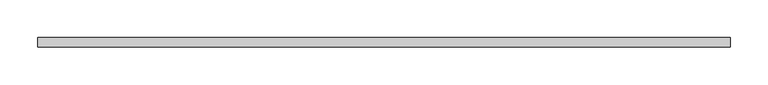
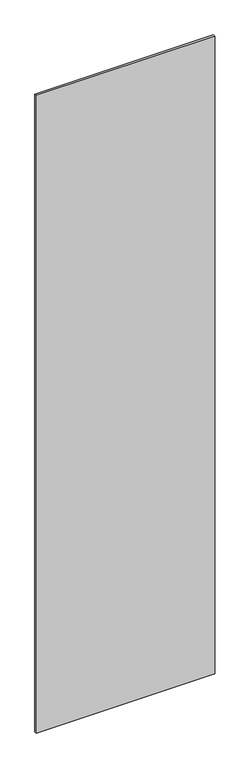
"""IFC4 building model written with IfcOpenShell, lengths in millimetres: plate geometry."""

import ifcopenshell
import ifcopenshell.guid

model = None  # the IFC model being written
_history = None  # IfcOwnerHistory: only IFC2X3 demands one
_inside = {}  # id of a spatial element -> (the spatial element, [elements in it])
_under = {}  # id of a project, library or spatial element -> (it, [spatial elements below it])
_declared = {}  # id of a project -> (the project, [libraries it declares])
_typed = {}  # id of a type object -> (the type object, [elements of that type])
_made_of = {}  # id of a material, layer set ... -> (it, [elements and type objects made of it])


def new_model(schema):
    """Start an empty IFC model of exactly this schema.

    Asked for "IFC4X3", IfcOpenShell would pick the latest addendum, in which some entities
    have other attributes; the version numbers below select the first issue.
    IFC2X3 requires an IfcOwnerHistory on every rooted entity: one is made here for all.
    """
    global model, _history
    if schema == "IFC4X3":
        model = ifcopenshell.file(schema_version=(4, 3, 0, 0))
    else:
        model = ifcopenshell.file(schema=schema)
    _inside.clear()
    _under.clear()
    _declared.clear()
    _typed.clear()
    _made_of.clear()
    _history = None
    if model.schema == "IFC2X3":
        org = make("IfcOrganization", Name="unknown")
        user = make(
            "IfcPersonAndOrganization",
            ThePerson=make("IfcPerson", FamilyName="unknown"),
            TheOrganization=org,
        )
        app = make(
            "IfcApplication",
            ApplicationDeveloper=org,
            Version="unknown",
            ApplicationFullName="unknown",
            ApplicationIdentifier="unknown",
        )
        _history = make(
            "IfcOwnerHistory",
            OwningUser=user,
            OwningApplication=app,
            ChangeAction="ADDED",
            CreationDate=0,
        )
    return model


def make(cls, **values):
    """One entity of the class cls with the attributes given. An attribute that is None is left unset."""
    return model.create_entity(
        cls, **{name: value for name, value in values.items() if value is not None}
    )


def rooted(cls, **values):
    """An entity with a GlobalId (a new one), such as an element, a storey or a relation."""
    return make(cls, GlobalId=ifcopenshell.guid.new(), OwnerHistory=_history, **values)


def si_unit(unit_type, name, prefix=None):
    """IfcSIUnit, for example si_unit("LENGTHUNIT", "METRE", prefix="MILLI")."""
    return make("IfcSIUnit", UnitType=unit_type, Prefix=prefix, Name=name)


def assignment(units):
    """IfcUnitAssignment: the units of a project."""
    return None if units is None else make("IfcUnitAssignment", Units=units)


def point(xyz):
    """IfcCartesianPoint."""
    return None if xyz is None else make("IfcCartesianPoint", Coordinates=xyz)


def direction(xyz):
    """IfcDirection."""
    return None if xyz is None else make("IfcDirection", DirectionRatios=xyz)


def frame(location, z_axis=None, x_axis=None):
    """IfcAxis2Placement3D, a coordinate frame: its origin and axes. An axis left out is left unset."""
    return make(
        "IfcAxis2Placement3D",
        Location=point(location),
        Axis=direction(z_axis),
        RefDirection=direction(x_axis),
    )


def origin():
    """The frame at (0, 0, 0) with its axes left unset."""
    return frame((0.0, 0.0, 0.0))


def origin_with_axes():
    """The frame at (0, 0, 0) with the z axis (0, 0, 1) and the x axis (1, 0, 0) written out."""
    return frame((0.0, 0.0, 0.0), z_axis=(0.0, 0.0, 1.0), x_axis=(1.0, 0.0, 0.0))


def place(relative_to, where):
    """IfcLocalPlacement: puts the frame where relative to a parent placement (None: the world)."""
    return make(
        "IfcLocalPlacement", PlacementRelTo=relative_to, RelativePlacement=where
    )


def context(
    kind, dimensions, precision=None, world=None, true_north=None, identifier=None
):
    """IfcGeometricRepresentationContext, for example the 3D "Model" context."""
    return make(
        "IfcGeometricRepresentationContext",
        ContextIdentifier=identifier,
        ContextType=kind,
        CoordinateSpaceDimension=dimensions,
        Precision=precision,
        WorldCoordinateSystem=world,
        TrueNorth=true_north,
    )


def project(units=None, contexts=None):
    """IfcProject with its units and contexts."""
    return rooted(
        "IfcProject",
        Name="project",
        RepresentationContexts=contexts,
        UnitsInContext=assignment(units),
    )


def spatial(cls, under=None, at=None, **own):
    """A site, building, storey or space (cls), placed at a placement, below another one or the project."""
    s = rooted(cls, ObjectPlacement=at, **own)
    if under is not None:
        _under.setdefault(under.id(), (under, []))[1].append(s)
    return s


def polyline(points):
    """IfcPolyline through the points."""
    return make("IfcPolyline", Points=[point(p) for p in points])


def outline(outer, holes=None, kind="AREA"):
    """IfcArbitraryClosedProfileDef: a profile drawn as a closed curve; with holes, ...WithVoids."""
    if holes is None:
        return make("IfcArbitraryClosedProfileDef", ProfileType=kind, OuterCurve=outer)
    return make(
        "IfcArbitraryProfileDefWithVoids",
        ProfileType=kind,
        OuterCurve=outer,
        InnerCurves=holes,
    )


def extrude(swept, where, along, depth):
    """IfcExtrudedAreaSolid: the profile swept, set in the frame where, extruded along a direction by depth."""
    return make(
        "IfcExtrudedAreaSolid",
        SweptArea=swept,
        Position=where,
        ExtrudedDirection=direction(along),
        Depth=depth,
    )


def shape(context_of_items, identifier, shape_type, items):
    """IfcShapeRepresentation: the items that make up one representation, for example the "Body"."""
    return make(
        "IfcShapeRepresentation",
        ContextOfItems=context_of_items,
        RepresentationIdentifier=identifier,
        RepresentationType=shape_type,
        Items=items,
    )


def source(mapping_origin, context_of_items, identifier, shape_type, items):
    """IfcRepresentationMap: a shape defined once, which mapped items show again and again."""
    return make(
        "IfcRepresentationMap",
        MappingOrigin=mapping_origin,
        MappedRepresentation=shape(context_of_items, identifier, shape_type, items),
    )


def transform(
    local_origin,
    x_axis=None,
    y_axis=None,
    z_axis=None,
    scale=None,
    scale2=None,
    scale3=None,
    uniform=True,
):
    """IfcCartesianTransformationOperator3D, or its non-uniform kind. x_axis, y_axis, z_axis: its Axis1, 2, 3."""
    if uniform:
        return make(
            "IfcCartesianTransformationOperator3D",
            Axis1=direction(x_axis),
            Axis2=direction(y_axis),
            LocalOrigin=point(local_origin),
            Scale=scale,
            Axis3=direction(z_axis),
        )
    return make(
        "IfcCartesianTransformationOperator3DnonUniform",
        Axis1=direction(x_axis),
        Axis2=direction(y_axis),
        LocalOrigin=point(local_origin),
        Scale=scale,
        Axis3=direction(z_axis),
        Scale2=scale2,
        Scale3=scale3,
    )


def mapped(mapping_source, mapping_target):
    """IfcMappedItem: shows the shape of a source again, moved by a transform."""
    return make(
        "IfcMappedItem", MappingSource=mapping_source, MappingTarget=mapping_target
    )


def made_of(thing, what):
    """Note that an element or type object is made of a material, layer set ...; save() writes the relation."""
    if what is not None:
        _made_of.setdefault(what.id(), (what, []))[1].append(thing)
    return thing


def element(
    cls,
    number,
    at=None,
    inside=None,
    cuts=None,
    type_object=None,
    material=None,
    context=None,
    identifier="Body",
    shape_type=None,
    held_by="IfcProductDefinitionShape",
    body=None,
    shapes=None,
    **own,
):
    """One element of the class cls, such as IfcWall. Its Tag is "e" and its number.

    at: its placement. inside: the storey or other place that contains it. cuts: it is an
    opening in that element (IfcRelVoidsElement). A single representation is given by context,
    identifier, shape_type and body (its items); several are given by shapes. held_by: the class
    of the entity that holds the representations. save() writes the other relations.
    """
    e = rooted(cls, Tag="e%d" % number, ObjectPlacement=at, **own)
    if body is not None:
        shapes = [shape(context, identifier, shape_type, body)]
    if shapes is not None:
        e.Representation = make(held_by, Representations=shapes)
    if inside is not None:
        _inside.setdefault(inside.id(), (inside, []))[1].append(e)
    if cuts is not None:
        rooted(
            "IfcRelVoidsElement", RelatingBuildingElement=cuts, RelatedOpeningElement=e
        )
    if type_object is not None:
        _typed.setdefault(type_object.id(), (type_object, []))[1].append(e)
    return made_of(e, material)


def aggregate(whole, parts):
    """IfcRelAggregates: a whole, such as a stair, and the parts it consists of."""
    return rooted("IfcRelAggregates", RelatingObject=whole, RelatedObjects=parts)


def save(model, path):
    """Write the relations noted so far, then the file.

    IfcRelAggregates (storeys below a building ...), IfcRelContainedInSpatialStructure (elements
    in a storey), IfcRelDefinesByType, IfcRelAssociatesMaterial and IfcRelDeclares: one each for
    every whole, place, type object, material and project.
    """
    for whole, parts in _under.values():
        aggregate(whole, parts)
    for where, things in _inside.values():
        rooted(
            "IfcRelContainedInSpatialStructure",
            RelatedElements=things,
            RelatingStructure=where,
        )
    for kind, things in _typed.values():
        rooted("IfcRelDefinesByType", RelatedObjects=things, RelatingType=kind)
    for what, things in _made_of.values():
        rooted("IfcRelAssociatesMaterial", RelatedObjects=things, RelatingMaterial=what)
    for by, libraries in _declared.values():
        rooted("IfcRelDeclares", RelatingContext=by, RelatedDefinitions=libraries)
    model.write(path)


def plate_3c16bb0b(model_context):
    return source(origin(), model_context, "Body", "SweptSolid", [
        extrude(outline(polyline([(456.0, -6.0), (-456.0, -6.0), (-456.0, 6.0), (456.0, 6.0), (456.0, -6.0)])), origin_with_axes(), (0.0, 0.0, 1.0), 3443.0),
    ])


if __name__ == "__main__":
    model = new_model("IFC4")
    model_context = context("Model", 3, world=origin())
    ifc_project = project(units=[si_unit("LENGTHUNIT", "METRE", prefix="MILLI")], contexts=[model_context])
    site = spatial("IfcSite", under=ifc_project)
    building = spatial("IfcBuilding", under=site)
    placement = place(None, origin())
    plate_shape = plate_3c16bb0b(model_context)
    element("IfcPlate", 1, at=placement, inside=building, context=model_context, shape_type="MappedRepresentation", body=[
        mapped(plate_shape, transform((0.0, 0.0, 0.0), x_axis=(1.0, 0.0, 0.0), y_axis=(0.0, 1.0, 0.0), z_axis=(0.0, 0.0, 1.0))),
    ])
    save(model, "model.ifc")
